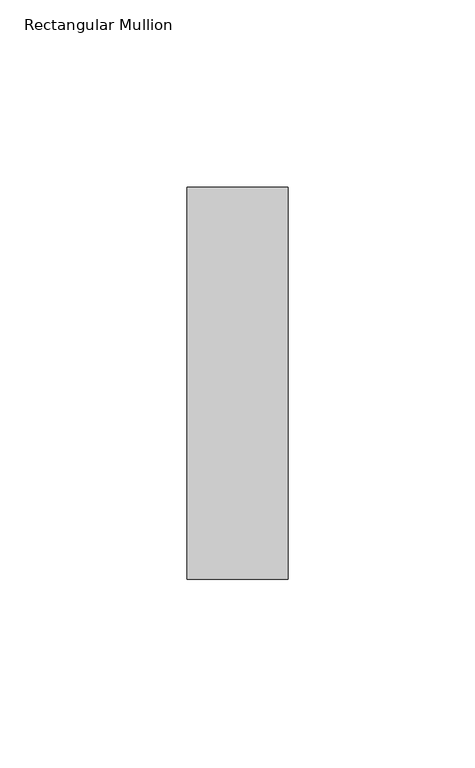
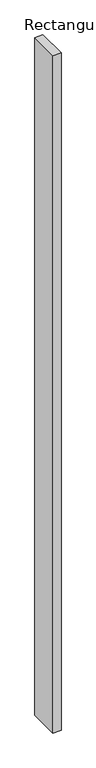
"""IFC4 building model written with IfcOpenShell, lengths in millimetres: member geometry, Rectangular Mullion."""

from ifc_helpers import new_model, si_unit, frame, origin, place, context, project, spatial, polyline, outline, extrude, source, transform, mapped, element, save


def rectangular_mullion_a92cd69f(model_context):
    return source(origin(), model_context, "Body", "SweptSolid", [
        extrude(outline(polyline([(0.0, 52.3975), (0.0, -52.3975), (-27.0, -52.3975), (-27.0, 52.3975), (0.0, 52.3975)])), frame((0.0, 0.0, -2400.0), z_axis=(0.0, 0.0, 1.0), x_axis=(1.0, 0.0, 0.0)), (0.0, 0.0, 1.0), 2400.0),
    ])


if __name__ == "__main__":
    model = new_model("IFC4")
    model_context = context("Model", 3, world=origin())
    ifc_project = project(units=[si_unit("LENGTHUNIT", "METRE", prefix="MILLI")], contexts=[model_context])
    site = spatial("IfcSite", under=ifc_project)
    building = spatial("IfcBuilding", under=site)
    placement = place(None, origin())
    rectangular_mullion_shape = rectangular_mullion_a92cd69f(model_context)
    element("IfcMember", 1, ObjectType="Rectangular Mullion", at=placement, inside=building, context=model_context, shape_type="MappedRepresentation", body=[
        mapped(rectangular_mullion_shape, transform((0.0, 0.0, 0.0), x_axis=(1.0, 0.0, 0.0), y_axis=(0.0, 1.0, 0.0), z_axis=(0.0, 0.0, 1.0))),
    ])
    save(model, "model.ifc")
